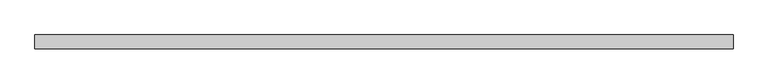
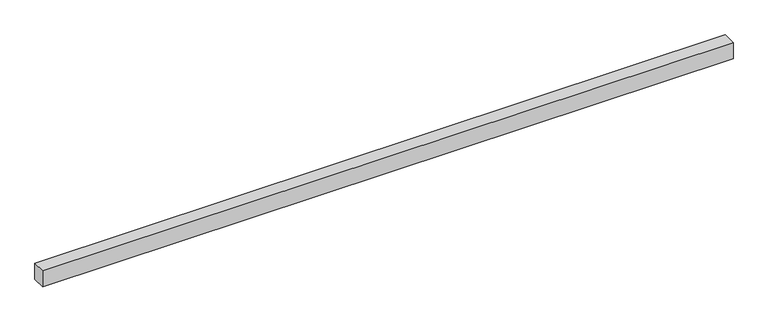
"""IFC4 building model written with IfcOpenShell, lengths in millimetres: proxy geometry."""

import ifcopenshell
import ifcopenshell.guid

model = None  # the IFC model being written
_history = None  # IfcOwnerHistory: only IFC2X3 demands one
_inside = {}  # id of a spatial element -> (the spatial element, [elements in it])
_under = {}  # id of a project, library or spatial element -> (it, [spatial elements below it])
_declared = {}  # id of a project -> (the project, [libraries it declares])
_typed = {}  # id of a type object -> (the type object, [elements of that type])
_made_of = {}  # id of a material, layer set ... -> (it, [elements and type objects made of it])


def new_model(schema):
    """Start an empty IFC model of exactly this schema.

    Asked for "IFC4X3", IfcOpenShell would pick the latest addendum, in which some entities
    have other attributes; the version numbers below select the first issue.
    IFC2X3 requires an IfcOwnerHistory on every rooted entity: one is made here for all.
    """
    global model, _history
    if schema == "IFC4X3":
        model = ifcopenshell.file(schema_version=(4, 3, 0, 0))
    else:
        model = ifcopenshell.file(schema=schema)
    _inside.clear()
    _under.clear()
    _declared.clear()
    _typed.clear()
    _made_of.clear()
    _history = None
    if model.schema == "IFC2X3":
        org = make("IfcOrganization", Name="unknown")
        user = make(
            "IfcPersonAndOrganization",
            ThePerson=make("IfcPerson", FamilyName="unknown"),
            TheOrganization=org,
        )
        app = make(
            "IfcApplication",
            ApplicationDeveloper=org,
            Version="unknown",
            ApplicationFullName="unknown",
            ApplicationIdentifier="unknown",
        )
        _history = make(
            "IfcOwnerHistory",
            OwningUser=user,
            OwningApplication=app,
            ChangeAction="ADDED",
            CreationDate=0,
        )
    return model


def make(cls, **values):
    """One entity of the class cls with the attributes given. An attribute that is None is left unset."""
    return model.create_entity(
        cls, **{name: value for name, value in values.items() if value is not None}
    )


def rooted(cls, **values):
    """An entity with a GlobalId (a new one), such as an element, a storey or a relation."""
    return make(cls, GlobalId=ifcopenshell.guid.new(), OwnerHistory=_history, **values)


def si_unit(unit_type, name, prefix=None):
    """IfcSIUnit, for example si_unit("LENGTHUNIT", "METRE", prefix="MILLI")."""
    return make("IfcSIUnit", UnitType=unit_type, Prefix=prefix, Name=name)


def assignment(units):
    """IfcUnitAssignment: the units of a project."""
    return None if units is None else make("IfcUnitAssignment", Units=units)


def point(xyz):
    """IfcCartesianPoint."""
    return None if xyz is None else make("IfcCartesianPoint", Coordinates=xyz)


def direction(xyz):
    """IfcDirection."""
    return None if xyz is None else make("IfcDirection", DirectionRatios=xyz)


def frame(location, z_axis=None, x_axis=None):
    """IfcAxis2Placement3D, a coordinate frame: its origin and axes. An axis left out is left unset."""
    return make(
        "IfcAxis2Placement3D",
        Location=point(location),
        Axis=direction(z_axis),
        RefDirection=direction(x_axis),
    )


def origin():
    """The frame at (0, 0, 0) with its axes left unset."""
    return frame((0.0, 0.0, 0.0))


def place(relative_to, where):
    """IfcLocalPlacement: puts the frame where relative to a parent placement (None: the world)."""
    return make(
        "IfcLocalPlacement", PlacementRelTo=relative_to, RelativePlacement=where
    )


def context(
    kind, dimensions, precision=None, world=None, true_north=None, identifier=None
):
    """IfcGeometricRepresentationContext, for example the 3D "Model" context."""
    return make(
        "IfcGeometricRepresentationContext",
        ContextIdentifier=identifier,
        ContextType=kind,
        CoordinateSpaceDimension=dimensions,
        Precision=precision,
        WorldCoordinateSystem=world,
        TrueNorth=true_north,
    )


def project(units=None, contexts=None):
    """IfcProject with its units and contexts."""
    return rooted(
        "IfcProject",
        Name="project",
        RepresentationContexts=contexts,
        UnitsInContext=assignment(units),
    )


def spatial(cls, under=None, at=None, **own):
    """A site, building, storey or space (cls), placed at a placement, below another one or the project."""
    s = rooted(cls, ObjectPlacement=at, **own)
    if under is not None:
        _under.setdefault(under.id(), (under, []))[1].append(s)
    return s


def polyline(points):
    """IfcPolyline through the points."""
    return make("IfcPolyline", Points=[point(p) for p in points])


def outline(outer, holes=None, kind="AREA"):
    """IfcArbitraryClosedProfileDef: a profile drawn as a closed curve; with holes, ...WithVoids."""
    if holes is None:
        return make("IfcArbitraryClosedProfileDef", ProfileType=kind, OuterCurve=outer)
    return make(
        "IfcArbitraryProfileDefWithVoids",
        ProfileType=kind,
        OuterCurve=outer,
        InnerCurves=holes,
    )


def extrude(swept, where, along, depth):
    """IfcExtrudedAreaSolid: the profile swept, set in the frame where, extruded along a direction by depth."""
    return make(
        "IfcExtrudedAreaSolid",
        SweptArea=swept,
        Position=where,
        ExtrudedDirection=direction(along),
        Depth=depth,
    )


def shape(context_of_items, identifier, shape_type, items):
    """IfcShapeRepresentation: the items that make up one representation, for example the "Body"."""
    return make(
        "IfcShapeRepresentation",
        ContextOfItems=context_of_items,
        RepresentationIdentifier=identifier,
        RepresentationType=shape_type,
        Items=items,
    )


def source(mapping_origin, context_of_items, identifier, shape_type, items):
    """IfcRepresentationMap: a shape defined once, which mapped items show again and again."""
    return make(
        "IfcRepresentationMap",
        MappingOrigin=mapping_origin,
        MappedRepresentation=shape(context_of_items, identifier, shape_type, items),
    )


def transform(
    local_origin,
    x_axis=None,
    y_axis=None,
    z_axis=None,
    scale=None,
    scale2=None,
    scale3=None,
    uniform=True,
):
    """IfcCartesianTransformationOperator3D, or its non-uniform kind. x_axis, y_axis, z_axis: its Axis1, 2, 3."""
    if uniform:
        return make(
            "IfcCartesianTransformationOperator3D",
            Axis1=direction(x_axis),
            Axis2=direction(y_axis),
            LocalOrigin=point(local_origin),
            Scale=scale,
            Axis3=direction(z_axis),
        )
    return make(
        "IfcCartesianTransformationOperator3DnonUniform",
        Axis1=direction(x_axis),
        Axis2=direction(y_axis),
        LocalOrigin=point(local_origin),
        Scale=scale,
        Axis3=direction(z_axis),
        Scale2=scale2,
        Scale3=scale3,
    )


def mapped(mapping_source, mapping_target):
    """IfcMappedItem: shows the shape of a source again, moved by a transform."""
    return make(
        "IfcMappedItem", MappingSource=mapping_source, MappingTarget=mapping_target
    )


def made_of(thing, what):
    """Note that an element or type object is made of a material, layer set ...; save() writes the relation."""
    if what is not None:
        _made_of.setdefault(what.id(), (what, []))[1].append(thing)
    return thing


def element(
    cls,
    number,
    at=None,
    inside=None,
    cuts=None,
    type_object=None,
    material=None,
    context=None,
    identifier="Body",
    shape_type=None,
    held_by="IfcProductDefinitionShape",
    body=None,
    shapes=None,
    **own,
):
    """One element of the class cls, such as IfcWall. Its Tag is "e" and its number.

    at: its placement. inside: the storey or other place that contains it. cuts: it is an
    opening in that element (IfcRelVoidsElement). A single representation is given by context,
    identifier, shape_type and body (its items); several are given by shapes. held_by: the class
    of the entity that holds the representations. save() writes the other relations.
    """
    e = rooted(cls, Tag="e%d" % number, ObjectPlacement=at, **own)
    if body is not None:
        shapes = [shape(context, identifier, shape_type, body)]
    if shapes is not None:
        e.Representation = make(held_by, Representations=shapes)
    if inside is not None:
        _inside.setdefault(inside.id(), (inside, []))[1].append(e)
    if cuts is not None:
        rooted(
            "IfcRelVoidsElement", RelatingBuildingElement=cuts, RelatedOpeningElement=e
        )
    if type_object is not None:
        _typed.setdefault(type_object.id(), (type_object, []))[1].append(e)
    return made_of(e, material)


def aggregate(whole, parts):
    """IfcRelAggregates: a whole, such as a stair, and the parts it consists of."""
    return rooted("IfcRelAggregates", RelatingObject=whole, RelatedObjects=parts)


def save(model, path):
    """Write the relations noted so far, then the file.

    IfcRelAggregates (storeys below a building ...), IfcRelContainedInSpatialStructure (elements
    in a storey), IfcRelDefinesByType, IfcRelAssociatesMaterial and IfcRelDeclares: one each for
    every whole, place, type object, material and project.
    """
    for whole, parts in _under.values():
        aggregate(whole, parts)
    for where, things in _inside.values():
        rooted(
            "IfcRelContainedInSpatialStructure",
            RelatedElements=things,
            RelatingStructure=where,
        )
    for kind, things in _typed.values():
        rooted("IfcRelDefinesByType", RelatedObjects=things, RelatingType=kind)
    for what, things in _made_of.values():
        rooted("IfcRelAssociatesMaterial", RelatedObjects=things, RelatingMaterial=what)
    for by, libraries in _declared.values():
        rooted("IfcRelDeclares", RelatingContext=by, RelatedDefinitions=libraries)
    model.write(path)


def generic_models_a257f795(model_context):
    return source(origin(), model_context, "Body", "SweptSolid", [
        extrude(outline(polyline([(40.0, 0.0), (-40.0, 0.0), (-40.0, 4050.0505063), (40.0, 4050.0505063), (40.0, 0.0)])), frame((4050.0505063, 0.0, 0.0), z_axis=(0.0, -1.9783474858313244e-12, 1.0), x_axis=(0.0, 1.0, 1.9783474858313244e-12)), (0.0, 0.0, 1.0), 100.0),
    ])


if __name__ == "__main__":
    model = new_model("IFC4")
    model_context = context("Model", 3, world=origin())
    ifc_project = project(units=[si_unit("LENGTHUNIT", "METRE", prefix="MILLI")], contexts=[model_context])
    site = spatial("IfcSite", under=ifc_project)
    building = spatial("IfcBuilding", under=site)
    placement = place(None, origin())
    generic_models_shape = generic_models_a257f795(model_context)
    element("IfcBuildingElementProxy", 1, Name="Generic Models", at=placement, inside=building, context=model_context, shape_type="MappedRepresentation", body=[
        mapped(generic_models_shape, transform((0.0, 0.0, 0.0), x_axis=(1.0, 0.0, 0.0), y_axis=(0.0, 1.0, 0.0), z_axis=(0.0, 0.0, 1.0))),
    ])
    save(model, "model.ifc")
